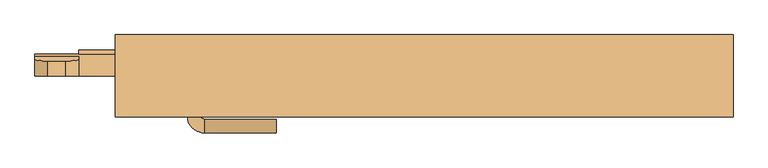
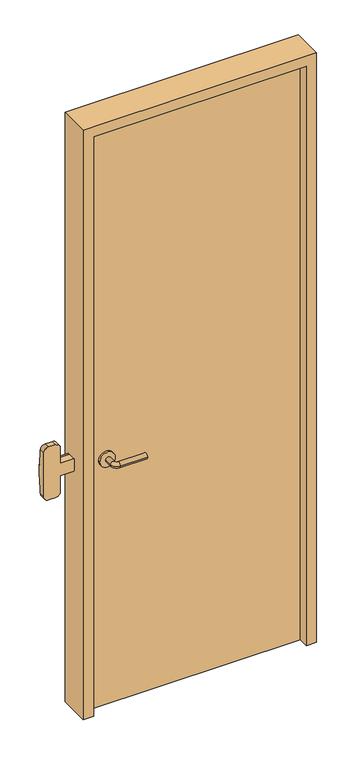
"""IFC4 building model written with IfcOpenShell, lengths in millimetres: door geometry."""

from ifc_helpers import new_model, si_unit, point, frame, frame_2d, origin, origin_with_axes, place, context, project, spatial, polyline, circle_curve, ellipse_curve, trimmed, segment, composite_curve, outline, extrude, faceted_brep, source, transform, mapped, element, save
from ifc_brep_helpers import plane_surface, cylinder_surface, revolved_surface, advanced_brep


def door_6355d88c(model_context):
    return source(origin(), model_context, "Body", "SolidModel", [
        extrude(outline(polyline([(-12.240625, 38.1), (-12.240625, 31.75), (-503.240625, 31.75), (-503.240625, 38.1), (-12.240625, 38.1)])), frame((0.0, 0.0, 974.6), z_axis=(0.0, 0.0, 1.0), x_axis=(1.0, 0.0, 0.0)), (0.0, 0.0, 1.0), 50.8),
        advanced_brep(
        [(-566.740625, 31.75, 1025.4), (-503.240625, 31.75, 1025.4), (233.259375, 31.75, 1025.4), (233.259375, 31.75, 974.6), (-503.240625, 31.75, 974.6), (-566.740625, 31.75, 974.6), (233.259375, 0.0, 1025.4), (-503.240625, 0.0, 1025.4), (-503.240625, 0.0, 1088.9), (-522.290625, 0.0, 1107.95), (-547.690625, 0.0, 1107.95), (-566.740625, 0.0, 1088.9), (-566.740625, 0.0, 911.1), (-547.690625, 0.0, 892.05), (-522.290625, 0.0, 892.05), (-503.240625, 0.0, 911.1), (-503.240625, 0.0, 974.6), (233.259375, 0.0, 974.6), (-566.740625, 28.5747533, 1025.4), (-503.240625, 28.5747533, 1025.4), (-566.740625, 28.5747533, 974.6), (-566.740625, 23.5645731, 911.1), (-566.740625, 23.5645731, 1088.9), (-503.240625, 28.5747533, 974.6), (-503.240625, 23.5645731, 1088.9), (-503.240625, 23.5645731, 911.1), (-522.290625, 22.061519, 1107.95), (-547.690625, 22.061519, 1107.95), (-547.690625, 22.061519, 892.05), (-522.290625, 22.061519, 892.05)],
        [
            (0, 1),
            (1, 2),
            (2, 3),
            (3, 4),
            (4, 5),
            (5, 0),
            (6, 7),
            (7, 8),
            (8, 9, circle_curve(frame((-522.290625, 0.0, 1088.9), z_axis=(0.0, -1.0, 0.0), x_axis=(1.0, 0.0, 0.0)), 19.05)),
            (9, 10),
            (10, 11, circle_curve(frame((-547.690625, 0.0, 1088.9), z_axis=(0.0, -1.0, 0.0), x_axis=(1.0, 0.0, 0.0)), 19.05)),
            (11, 12),
            (12, 13, circle_curve(frame((-547.690625, 0.0, 911.1), z_axis=(0.0, -1.0, 0.0), x_axis=(1.0, 0.0, 0.0)), 19.05)),
            (13, 14),
            (14, 15, circle_curve(frame((-522.290625, 0.0, 911.1), z_axis=(0.0, -1.0, 0.0), x_axis=(1.0, 0.0, 0.0)), 19.05)),
            (15, 16),
            (16, 17),
            (17, 6),
            (0, 18),
            (18, 19),
            (19, 7),
            (6, 2),
            (5, 20),
            (20, 21),
            (21, 12),
            (11, 22),
            (22, 18),
            (16, 23),
            (23, 20),
            (3, 17),
            (19, 24),
            (24, 8),
            (15, 25),
            (25, 23),
            (9, 26),
            (26, 27),
            (27, 10),
            (13, 28),
            (28, 29),
            (29, 14),
            (29, 25, ellipse_curve(frame((-522.290625, 23.5645731, 911.1), z_axis=(0.0, -0.9969018152893365, 0.07865602756830282), x_axis=(0.0, 0.07865602756830208, 0.9969018152893365)), 19.1092038, 19.05)),
            (24, 26, ellipse_curve(frame((-522.290625, 23.5645731, 1088.9), z_axis=(0.0, -0.9969018152893376, -0.07865602756828934), x_axis=(0.0, 0.078656027568288, -0.9969018152893377)), 19.1092038, 19.05)),
            (27, 22, ellipse_curve(frame((-547.690625, 23.5645731, 1088.9), z_axis=(0.0, -0.9969018152893376, -0.07865602756828934), x_axis=(0.0, 0.078656027568288, -0.9969018152893377)), 19.1092038, 19.05)),
            (21, 28, ellipse_curve(frame((-547.690625, 23.5645731, 911.1), z_axis=(0.0, -0.9969018152893365, 0.07865602756830282), x_axis=(0.0, 0.07865602756830208, 0.9969018152893365)), 19.1092038, 19.05)),
        ],
        [
            plane_surface(frame((-566.740625, 31.75, 1025.4), z_axis=(0.0, 1.0, 0.0), x_axis=(-1.0, 0.0, 0.0))),
            plane_surface(frame((-566.740625, 0.0, 1025.4), z_axis=(0.0, -1.0, 0.0), x_axis=(1.0, 0.0, 0.0))),
            plane_surface(frame((233.259375, 31.75, 1025.4), z_axis=(0.0, 0.0, 1.0), x_axis=(0.0, -1.0, 0.0))),
            plane_surface(frame((-566.740625, 31.75, 1025.4), z_axis=(-1.0, 0.0, 0.0), x_axis=(0.0, -1.0, 0.0))),
            plane_surface(frame((-566.740625, 31.75, 974.6), z_axis=(0.0, 0.0, -1.0), x_axis=(0.0, -1.0, 0.0))),
            plane_surface(frame((233.259375, 31.75, 974.6), z_axis=(1.0, 0.0, 0.0), x_axis=(0.0, -1.0, 0.0))),
            plane_surface(frame((-503.240625, 28.5747533, 911.1), z_axis=(1.0, 0.0, 0.0), x_axis=(0.0, -1.0, 0.0))),
            plane_surface(frame((-522.290625, 28.5747533, 1107.95), z_axis=(0.0, 0.0, 1.0), x_axis=(0.0, -1.0, 0.0))),
            plane_surface(frame((-547.690625, 28.5747533, 892.05), z_axis=(0.0, 0.0, -1.0), x_axis=(0.0, -1.0, 0.0))),
            cylinder_surface(frame((-522.290625, 0.0, 911.1), z_axis=(0.0, 1.0, 0.0), x_axis=(1.0, 0.0, 0.0)), 19.05),
            cylinder_surface(frame((-522.290625, 0.0, 1088.9), z_axis=(0.0, 1.0, 0.0), x_axis=(1.0, 0.0, 0.0)), 19.05),
            cylinder_surface(frame((-547.690625, 0.0, 1088.9), z_axis=(0.0, 1.0, 0.0), x_axis=(1.0, 0.0, 0.0)), 19.05),
            cylinder_surface(frame((-547.690625, 0.0, 911.1), z_axis=(0.0, 1.0, 0.0), x_axis=(1.0, 0.0, 0.0)), 19.05),
            plane_surface(frame((-503.240625, 28.5747533, 1025.4), z_axis=(0.0, 0.9969018152893376, 0.07865602756828934), x_axis=(-1.0, 0.0, 0.0))),
            plane_surface(frame((-503.240625, 22.061519, 892.05), z_axis=(0.0, 0.9969018152893365, -0.07865602756830282), x_axis=(-1.0, 0.0, 0.0))),
        ],
        [
            (0, [[1, 2, 3, 4, 5, 6]]),
            (1, [[7, 8, 9, 10, 11, 12, 13, 14, 15, 16, 17, 18]]),
            (2, [[-2, -1, 19, 20, 21, -7, 22]]),
            (3, [[23, 24, 25, -12, 26, 27, -19, -6]]),
            (4, [[-17, 28, 29, -23, -5, -4, 30]]),
            (5, [[-22, -18, -30, -3]]),
            (6, [[-21, 31, 32, -8]]),
            (6, [[33, 34, -28, -16]]),
            (7, [[35, 36, 37, -10]]),
            (8, [[38, 39, 40, -14]]),
            (9, [[-40, 41, -33, -15]]),
            (10, [[-32, 42, -35, -9]]),
            (11, [[-37, 43, -26, -11]]),
            (12, [[-25, 44, -38, -13]]),
            (13, [[-27, -43, -36, -42, -31, -20]]),
            (14, [[-29, -34, -41, -39, -44, -24]]),
        ],
    ),
        advanced_brep(
        [(-344.990625, -28.0, 1000.0), (-324.990625, -28.0, 1000.0), (-324.990625, -58.0, 1000.0), (-344.990625, -58.0, 1000.0), (-319.990625, -63.0, 1000.0), (-319.990625, -83.0, 1000.0), (-214.990625, -83.0, 1000.0), (-214.990625, -63.0, 1000.0)],
        [
            (0, 1, circle_curve(frame((-334.990625, -28.0, 1000.0), z_axis=(0.0, 1.0, 0.0), x_axis=(1.0, 0.0, 0.0)), 10.0)),
            (1, 0, circle_curve(frame((-334.990625, -28.0, 1000.0), z_axis=(0.0, 1.0, 0.0), x_axis=(1.0, 0.0, 0.0)), 10.0)),
            (1, 2),
            (2, 3, circle_curve(frame((-334.990625, -58.0, 1000.0), z_axis=(0.0, 1.0, 0.0), x_axis=(1.0, 0.0, 0.0)), 10.0)),
            (3, 0),
            (3, 2, circle_curve(frame((-334.990625, -58.0, 1000.0), z_axis=(0.0, 1.0, 0.0), x_axis=(1.0, 0.0, 0.0)), 10.0)),
            (4, 5, circle_curve(frame((-319.990625, -73.0, 1000.0), z_axis=(-1.0, 0.0, 0.0), x_axis=(0.0, 1.0, 0.0)), 10.0)),
            (5, 3, circle_curve(frame((-319.990625, -58.0, 1000.0), z_axis=(0.0, 0.0, -1.0), x_axis=(-1.0, 0.0, 0.0)), 25.0)),
            (2, 4, circle_curve(frame((-319.990625, -58.0, 1000.0), z_axis=(0.0, 0.0, 1.0), x_axis=(-1.0, 0.0, 0.0)), 5.0)),
            (5, 4, circle_curve(frame((-319.990625, -73.0, 1000.0), z_axis=(-1.0, 0.0, 0.0), x_axis=(0.0, 1.0, 0.0)), 10.0)),
            (6, 7, circle_curve(frame((-214.990625, -73.0, 1000.0), z_axis=(1.0, 0.0, 0.0), x_axis=(0.0, 1.0, 0.0)), 10.0)),
            (7, 6, circle_curve(frame((-214.990625, -73.0, 1000.0), z_axis=(1.0, 0.0, 0.0), x_axis=(0.0, 1.0, 0.0)), 10.0)),
            (4, 7),
            (6, 5),
        ],
        [
            plane_surface(frame((-334.990625, -28.0, 1000.0), z_axis=(0.0, 1.0, 0.0), x_axis=(0.0, 0.0, 1.0))),
            cylinder_surface(frame((-334.990625, -28.0, 1000.0), z_axis=(0.0, 1.0, 0.0), x_axis=(1.0, 0.0, 0.0)), 10.0),
            revolved_surface(trimmed(ellipse_curve(frame((-334.990625, -58.0, 1000.0), z_axis=(0.0, -1.0, 0.0), x_axis=(1.0, 0.0, 0.0)), 10.0, 10.0), [point((-344.990625, -58.0, 1000.0))], [point((-324.990625, -58.0, 1000.0))], True, "CARTESIAN"), (-319.990625, -58.0, 1000.0), (0.0, 0.0, -1.0)),
            revolved_surface(trimmed(ellipse_curve(frame((-334.990625, -58.0, 1000.0), z_axis=(0.0, -1.0, 0.0), x_axis=(1.0, 0.0, 0.0)), 10.0, 10.0), [point((-324.990625, -58.0, 1000.0))], [point((-344.990625, -58.0, 1000.0))], True, "CARTESIAN"), (-319.990625, -58.0, 1000.0), (0.0, 0.0, -1.0)),
            plane_surface(frame((-214.990625, -73.0, 1000.0), z_axis=(1.0, 0.0, 0.0), x_axis=(0.0, 0.0, 1.0))),
            cylinder_surface(frame((-319.990625, -73.0, 1000.0), z_axis=(-1.0, 0.0, 0.0), x_axis=(0.0, 1.0, 0.0)), 10.0),
        ],
        [
            (0, [[1, 2]]),
            (1, [[3, 4, 5, -2]]),
            (1, [[-5, 6, -3, -1]]),
            (2, [[7, 8, -4, 9]]),
            (3, [[10, -9, -6, -8]]),
            (4, [[11, 12]]),
            (5, [[13, -11, 14, -7]]),
            (5, [[-14, -12, -13, -10]]),
        ],
    ),
        extrude(outline(composite_curve([segment(trimmed(circle_curve(frame_2d((1000.0, -337.490625)), 30.0), [point((1000.0, -367.490625))], [point((1000.0, -307.490625))], False, "CARTESIAN"), True, "CONTINUOUS"), segment(trimmed(circle_curve(frame_2d((1000.0, -337.490625)), 30.0), [point((1000.0, -307.490625))], [point((1000.0, -367.490625))], False, "CARTESIAN"), True, "CONTINUOUS")], self_intersect=False)), frame((0.0, -28.0, 0.0), z_axis=(0.0, 1.0, 0.0), x_axis=(0.0, 0.0, 1.0)), (0.0, 0.0, 1.0), 8.0),
        extrude(outline(polyline([(410.0, -20.0), (-410.0, -20.0), (-410.0, 0.0), (410.0, 0.0), (410.0, -20.0)])), origin_with_axes(), (0.0, 0.0, 1.0), 2360.0),
        faceted_brep([(-450.0, 60.0, 0.0), (-400.0, 60.0, 0.0), (-400.0, 0.0, 0.0), (-410.0, 0.0, 0.0), (-410.0, -60.0, 0.0), (-450.0, -60.0, 0.0), (-450.0, -60.0, 2400.0), (-450.0, 60.0, 2400.0), (-410.0, -60.0, 2360.0), (410.0, -60.0, 2360.0), (410.0, -60.0, 0.0), (450.0, -60.0, 0.0), (450.0, -60.0, 2400.0), (-410.0, 0.0, 2360.0), (-400.0, 0.0, 2350.0), (400.0, 0.0, 2350.0), (400.0, 0.0, 0.0), (410.0, 0.0, 0.0), (410.0, 0.0, 2360.0), (-400.0, 60.0, 2350.0), (450.0, 60.0, 2400.0), (450.0, 60.0, 0.0), (400.0, 60.0, 0.0), (400.0, 60.0, 2350.0)], [[[0, 1, 2, 3, 4, 5]], [[5, 6, 7, 0]], [[4, 8, 9, 10, 11, 12, 6, 5]], [[3, 13, 8, 4]], [[2, 14, 15, 16, 17, 18, 13, 3]], [[1, 19, 14, 2]], [[0, 7, 20, 21, 22, 23, 19, 1]], [[6, 12, 20, 7]], [[13, 18, 9, 8]], [[19, 23, 15, 14]], [[21, 11, 10, 17, 16, 22]], [[12, 11, 21, 20]], [[18, 17, 10, 9]], [[23, 22, 16, 15]]]),
    ])


if __name__ == "__main__":
    model = new_model("IFC4")
    model_context = context("Model", 3, world=origin())
    ifc_project = project(units=[si_unit("LENGTHUNIT", "METRE", prefix="MILLI")], contexts=[model_context])
    site = spatial("IfcSite", under=ifc_project)
    building = spatial("IfcBuilding", under=site)
    placement = place(None, origin())
    door_shape = door_6355d88c(model_context)
    element("IfcDoor", 1, at=placement, inside=building, context=model_context, shape_type="MappedRepresentation", body=[
        mapped(door_shape, transform((0.0, 0.0, 0.0), x_axis=(1.0, 0.0, 0.0), y_axis=(0.0, 1.0, 0.0), z_axis=(0.0, 0.0, 1.0))),
    ])
    save(model, "model.ifc")
